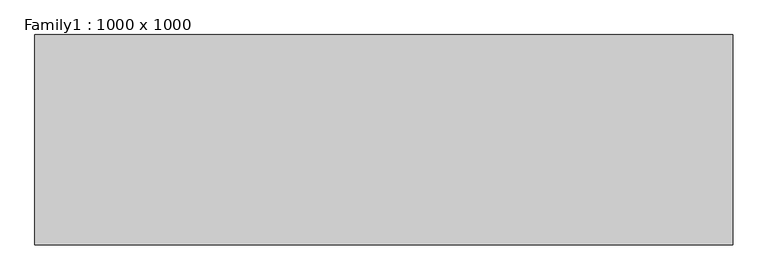
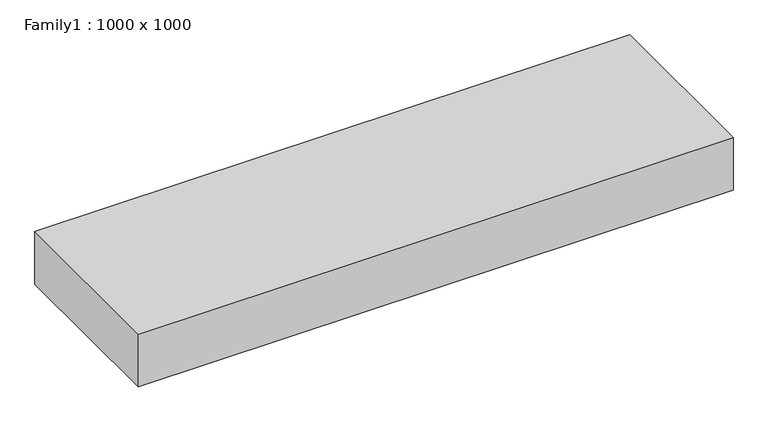
"""IFC4 building model written with IfcOpenShell, lengths in millimetres: proxy geometry, Family1 : 1000 x 1000."""

from ifc_helpers import new_model, si_unit, frame, origin, place, context, project, spatial, polyline, outline, extrude, source, transform, mapped, element, save


def family1_1000_x_1000_48c2711e(model_context):
    return source(origin(), model_context, "Body", "SweptSolid", [
        extrude(outline(polyline([(667.0143139, 201.1062937), (667.0143139, -201.1062937), (-667.0143139, -201.1062937), (-667.0143139, 201.1062937), (667.0143139, 201.1062937)])), frame((0.0, 0.0, -25.0), z_axis=(0.0, 0.0, 1.0), x_axis=(1.0, 0.0, 0.0)), (0.0, 0.0, 1.0), 125.0),
    ])


if __name__ == "__main__":
    model = new_model("IFC4")
    model_context = context("Model", 3, world=origin())
    ifc_project = project(units=[si_unit("LENGTHUNIT", "METRE", prefix="MILLI")], contexts=[model_context])
    site = spatial("IfcSite", under=ifc_project)
    building = spatial("IfcBuilding", under=site)
    placement = place(None, origin())
    family1_1000_x_1000_shape = family1_1000_x_1000_48c2711e(model_context)
    element("IfcBuildingElementProxy", 1, Name="Family1 : 1000 x 1000", ObjectType="Family1 : 1000 x 1000", at=placement, inside=building, context=model_context, shape_type="MappedRepresentation", body=[
        mapped(family1_1000_x_1000_shape, transform((0.0, 0.0, 0.0), x_axis=(1.0, 0.0, 0.0), y_axis=(0.0, 1.0, 0.0), z_axis=(0.0, 0.0, 1.0))),
    ])
    save(model, "model.ifc")
